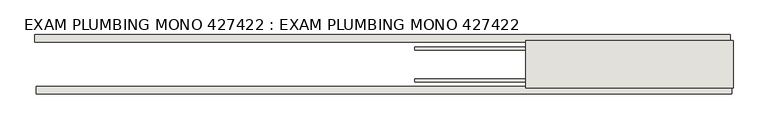
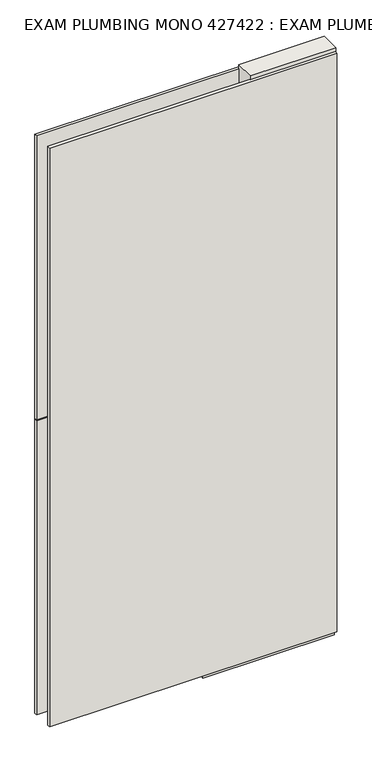
"""IFC4 building model written with IfcOpenShell, lengths in millimetres: wall geometry, EXAM PLUMBING MONO 427422 : EXAM PLUMBING MONO 427422."""

from ifc_helpers import new_model, si_unit, frame, origin, place, context, project, spatial, polyline, outline, extrude, source, transform, mapped, element, save


def exam_plumbing_mono_427422_exam_plumbing_mono_427422_7f1a44ce(model_context):
    return source(origin(), model_context, "Body", "SweptSolid", [
        extrude(outline(polyline([(69185.5208616, -43072.0636398), (69188.0608616, -43072.0636398), (69188.0608616, -43074.6036398), (69185.5208616, -43074.6036398), (69185.5208616, -43072.0636398)])), frame((0.0, 0.0, 4419.6), z_axis=(0.0, 0.0, 1.0), x_axis=(1.0, 0.0, 0.0)), (0.0, 0.0, 1.0), 2.54),
        extrude(outline(polyline([(69186.0642438, -43124.1336398), (67992.8121218, -43124.1336398), (67992.8121218, -43111.4336398), (69186.0642438, -43111.4336398), (69186.0642438, -43124.1336398)])), frame((0.0, 0.0, 4445.0), z_axis=(0.0, 0.0, 1.0), x_axis=(1.0, 0.0, 0.0)), (0.0, 0.0, 1.0), 2545.0498756),
        extrude(outline(polyline([(67990.3440546, -43022.5336398), (69183.5961766, -43022.5336398), (69183.5961766, -43035.2336398), (67990.3440546, -43035.2336398), (67990.3440546, -43022.5336398)])), frame((0.0, 0.0, 4445.0), z_axis=(0.0, 0.0, 1.0), x_axis=(1.0, 0.0, 0.0)), (0.0, 0.0, 1.0), 1293.400004),
        extrude(outline(polyline([(67990.3440546, -43022.5336398), (69183.5961766, -43022.5336398), (69183.5961766, -43035.2336398), (67990.3440546, -43035.2336398), (67990.3440546, -43022.5336398)])), frame((0.0, 0.0, 5742.399869), z_axis=(0.0, 0.0, 1.0), x_axis=(1.0, 0.0, 0.0)), (0.0, 0.0, 1.0), 1247.649905),
        extrude(outline(polyline([(68641.949711, -43098.4142856), (69188.049711, -43098.4142856), (69188.049711, -43103.4961398), (68641.949711, -43103.4961398), (68641.949711, -43098.4142856)])), frame((0.0, 0.0, 4418.6602), z_axis=(0.0, 0.0, 1.0), x_axis=(1.0, 0.0, 0.0)), (0.0, 0.0, 1.0), 47.625),
        extrude(outline(polyline([(68641.949711, -43098.4142856), (69188.049711, -43098.4142856), (69188.049711, -43103.4961398), (68641.949711, -43103.4961398), (68641.949711, -43098.4142856)])), frame((0.0, 0.0, 4418.6602), z_axis=(0.0, 0.0, 1.0), x_axis=(1.0, 0.0, 0.0)), (0.0, 0.0, 1.0), 47.625),
        extrude(outline(polyline([(69188.049711, -43048.2498952), (68641.949711, -43048.2498952), (68641.949711, -43043.1711398), (69188.049711, -43043.1711398), (69188.049711, -43048.2498952)])), frame((0.0, 0.0, 4418.6602), z_axis=(0.0, 0.0, 1.0), x_axis=(1.0, 0.0, 0.0)), (0.0, 0.0, 1.0), 47.625),
        extrude(outline(polyline([(69188.049711, -43048.2498952), (68641.949711, -43048.2498952), (68641.949711, -43043.1711398), (69188.049711, -43043.1711398), (69188.049711, -43048.2498952)])), frame((0.0, 0.0, 4418.6602), z_axis=(0.0, 0.0, 1.0), x_axis=(1.0, 0.0, 0.0)), (0.0, 0.0, 1.0), 47.625),
        extrude(outline(polyline([(68832.449711, -43113.9854254), (68832.449711, -43032.70667), (69188.049711, -43032.70667), (69188.049711, -43113.9854254), (68832.449711, -43113.9854254)])), frame((0.0, 0.0, 4445.0), z_axis=(0.0, 0.0, 1.0), x_axis=(1.0, 0.0, 0.0)), (0.0, 0.0, 1.0), 2562.4536762),
    ])


if __name__ == "__main__":
    model = new_model("IFC4")
    model_context = context("Model", 3, world=origin())
    ifc_project = project(units=[si_unit("LENGTHUNIT", "METRE", prefix="MILLI")], contexts=[model_context])
    site = spatial("IfcSite", under=ifc_project)
    building = spatial("IfcBuilding", under=site)
    placement = place(None, origin())
    exam_plumbing_mono_427422_exam_plumbing_mono_427422_shape = exam_plumbing_mono_427422_exam_plumbing_mono_427422_7f1a44ce(model_context)
    element("IfcWall", 1, ObjectType="EXAM PLUMBING MONO 427422 : EXAM PLUMBING MONO 427422", at=placement, inside=building, context=model_context, shape_type="MappedRepresentation", body=[
        mapped(exam_plumbing_mono_427422_exam_plumbing_mono_427422_shape, transform((0.0, 0.0, 0.0), x_axis=(1.0, 0.0, 0.0), y_axis=(0.0, 1.0, 0.0), z_axis=(0.0, 0.0, 1.0))),
    ])
    save(model, "model.ifc")
